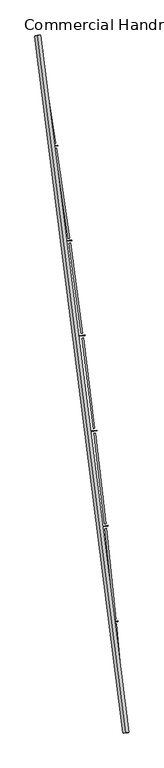
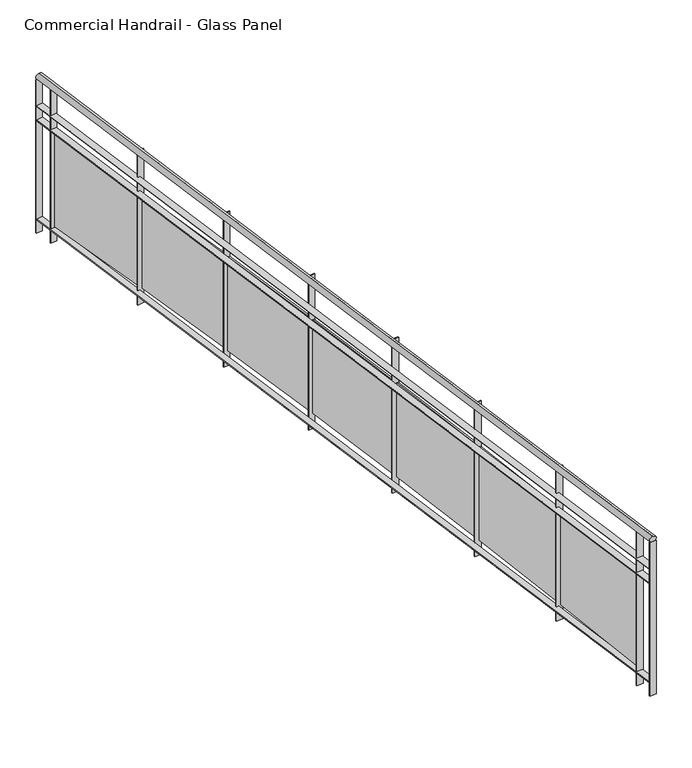
"""IFC4 building model written with IfcOpenShell, lengths in millimetres: railing geometry, Commercial Handrail - Glass Panel."""

import ifcopenshell
import ifcopenshell.guid

model = None  # the IFC model being written
_history = None  # IfcOwnerHistory: only IFC2X3 demands one
_inside = {}  # id of a spatial element -> (the spatial element, [elements in it])
_under = {}  # id of a project, library or spatial element -> (it, [spatial elements below it])
_declared = {}  # id of a project -> (the project, [libraries it declares])
_typed = {}  # id of a type object -> (the type object, [elements of that type])
_made_of = {}  # id of a material, layer set ... -> (it, [elements and type objects made of it])


def new_model(schema):
    """Start an empty IFC model of exactly this schema.

    Asked for "IFC4X3", IfcOpenShell would pick the latest addendum, in which some entities
    have other attributes; the version numbers below select the first issue.
    IFC2X3 requires an IfcOwnerHistory on every rooted entity: one is made here for all.
    """
    global model, _history
    if schema == "IFC4X3":
        model = ifcopenshell.file(schema_version=(4, 3, 0, 0))
    else:
        model = ifcopenshell.file(schema=schema)
    _inside.clear()
    _under.clear()
    _declared.clear()
    _typed.clear()
    _made_of.clear()
    _history = None
    if model.schema == "IFC2X3":
        org = make("IfcOrganization", Name="unknown")
        user = make(
            "IfcPersonAndOrganization",
            ThePerson=make("IfcPerson", FamilyName="unknown"),
            TheOrganization=org,
        )
        app = make(
            "IfcApplication",
            ApplicationDeveloper=org,
            Version="unknown",
            ApplicationFullName="unknown",
            ApplicationIdentifier="unknown",
        )
        _history = make(
            "IfcOwnerHistory",
            OwningUser=user,
            OwningApplication=app,
            ChangeAction="ADDED",
            CreationDate=0,
        )
    return model


def make(cls, **values):
    """One entity of the class cls with the attributes given. An attribute that is None is left unset."""
    return model.create_entity(
        cls, **{name: value for name, value in values.items() if value is not None}
    )


def rooted(cls, **values):
    """An entity with a GlobalId (a new one), such as an element, a storey or a relation."""
    return make(cls, GlobalId=ifcopenshell.guid.new(), OwnerHistory=_history, **values)


def si_unit(unit_type, name, prefix=None):
    """IfcSIUnit, for example si_unit("LENGTHUNIT", "METRE", prefix="MILLI")."""
    return make("IfcSIUnit", UnitType=unit_type, Prefix=prefix, Name=name)


def assignment(units):
    """IfcUnitAssignment: the units of a project."""
    return None if units is None else make("IfcUnitAssignment", Units=units)


def point(xyz):
    """IfcCartesianPoint."""
    return None if xyz is None else make("IfcCartesianPoint", Coordinates=xyz)


def direction(xyz):
    """IfcDirection."""
    return None if xyz is None else make("IfcDirection", DirectionRatios=xyz)


def frame(location, z_axis=None, x_axis=None):
    """IfcAxis2Placement3D, a coordinate frame: its origin and axes. An axis left out is left unset."""
    return make(
        "IfcAxis2Placement3D",
        Location=point(location),
        Axis=direction(z_axis),
        RefDirection=direction(x_axis),
    )


def origin():
    """The frame at (0, 0, 0) with its axes left unset."""
    return frame((0.0, 0.0, 0.0))


def place(relative_to, where):
    """IfcLocalPlacement: puts the frame where relative to a parent placement (None: the world)."""
    return make(
        "IfcLocalPlacement", PlacementRelTo=relative_to, RelativePlacement=where
    )


def context(
    kind, dimensions, precision=None, world=None, true_north=None, identifier=None
):
    """IfcGeometricRepresentationContext, for example the 3D "Model" context."""
    return make(
        "IfcGeometricRepresentationContext",
        ContextIdentifier=identifier,
        ContextType=kind,
        CoordinateSpaceDimension=dimensions,
        Precision=precision,
        WorldCoordinateSystem=world,
        TrueNorth=true_north,
    )


def project(units=None, contexts=None):
    """IfcProject with its units and contexts."""
    return rooted(
        "IfcProject",
        Name="project",
        RepresentationContexts=contexts,
        UnitsInContext=assignment(units),
    )


def spatial(cls, under=None, at=None, **own):
    """A site, building, storey or space (cls), placed at a placement, below another one or the project."""
    s = rooted(cls, ObjectPlacement=at, **own)
    if under is not None:
        _under.setdefault(under.id(), (under, []))[1].append(s)
    return s


def polyline(points):
    """IfcPolyline through the points."""
    return make("IfcPolyline", Points=[point(p) for p in points])


def circle_curve(where, radius):
    """IfcCircle in the frame where."""
    return make("IfcCircle", Position=where, Radius=radius)


def ellipse_curve(where, semi_axis1, semi_axis2):
    """IfcEllipse in the frame where."""
    return make(
        "IfcEllipse", Position=where, SemiAxis1=semi_axis1, SemiAxis2=semi_axis2
    )


def trimmed(basis, trim1, trim2, sense, master):
    """IfcTrimmedCurve: the piece of a basis curve between two trims."""
    return make(
        "IfcTrimmedCurve",
        BasisCurve=basis,
        Trim1=trim1,
        Trim2=trim2,
        SenseAgreement=sense,
        MasterRepresentation=master,
    )


def outline(outer, holes=None, kind="AREA"):
    """IfcArbitraryClosedProfileDef: a profile drawn as a closed curve; with holes, ...WithVoids."""
    if holes is None:
        return make("IfcArbitraryClosedProfileDef", ProfileType=kind, OuterCurve=outer)
    return make(
        "IfcArbitraryProfileDefWithVoids",
        ProfileType=kind,
        OuterCurve=outer,
        InnerCurves=holes,
    )


def extrude(swept, where, along, depth):
    """IfcExtrudedAreaSolid: the profile swept, set in the frame where, extruded along a direction by depth."""
    return make(
        "IfcExtrudedAreaSolid",
        SweptArea=swept,
        Position=where,
        ExtrudedDirection=direction(along),
        Depth=depth,
    )


def shape(context_of_items, identifier, shape_type, items):
    """IfcShapeRepresentation: the items that make up one representation, for example the "Body"."""
    return make(
        "IfcShapeRepresentation",
        ContextOfItems=context_of_items,
        RepresentationIdentifier=identifier,
        RepresentationType=shape_type,
        Items=items,
    )


def source(mapping_origin, context_of_items, identifier, shape_type, items):
    """IfcRepresentationMap: a shape defined once, which mapped items show again and again."""
    return make(
        "IfcRepresentationMap",
        MappingOrigin=mapping_origin,
        MappedRepresentation=shape(context_of_items, identifier, shape_type, items),
    )


def transform(
    local_origin,
    x_axis=None,
    y_axis=None,
    z_axis=None,
    scale=None,
    scale2=None,
    scale3=None,
    uniform=True,
):
    """IfcCartesianTransformationOperator3D, or its non-uniform kind. x_axis, y_axis, z_axis: its Axis1, 2, 3."""
    if uniform:
        return make(
            "IfcCartesianTransformationOperator3D",
            Axis1=direction(x_axis),
            Axis2=direction(y_axis),
            LocalOrigin=point(local_origin),
            Scale=scale,
            Axis3=direction(z_axis),
        )
    return make(
        "IfcCartesianTransformationOperator3DnonUniform",
        Axis1=direction(x_axis),
        Axis2=direction(y_axis),
        LocalOrigin=point(local_origin),
        Scale=scale,
        Axis3=direction(z_axis),
        Scale2=scale2,
        Scale3=scale3,
    )


def mapped(mapping_source, mapping_target):
    """IfcMappedItem: shows the shape of a source again, moved by a transform."""
    return make(
        "IfcMappedItem", MappingSource=mapping_source, MappingTarget=mapping_target
    )


def made_of(thing, what):
    """Note that an element or type object is made of a material, layer set ...; save() writes the relation."""
    if what is not None:
        _made_of.setdefault(what.id(), (what, []))[1].append(thing)
    return thing


def element(
    cls,
    number,
    at=None,
    inside=None,
    cuts=None,
    type_object=None,
    material=None,
    context=None,
    identifier="Body",
    shape_type=None,
    held_by="IfcProductDefinitionShape",
    body=None,
    shapes=None,
    **own,
):
    """One element of the class cls, such as IfcWall. Its Tag is "e" and its number.

    at: its placement. inside: the storey or other place that contains it. cuts: it is an
    opening in that element (IfcRelVoidsElement). A single representation is given by context,
    identifier, shape_type and body (its items); several are given by shapes. held_by: the class
    of the entity that holds the representations. save() writes the other relations.
    """
    e = rooted(cls, Tag="e%d" % number, ObjectPlacement=at, **own)
    if body is not None:
        shapes = [shape(context, identifier, shape_type, body)]
    if shapes is not None:
        e.Representation = make(held_by, Representations=shapes)
    if inside is not None:
        _inside.setdefault(inside.id(), (inside, []))[1].append(e)
    if cuts is not None:
        rooted(
            "IfcRelVoidsElement", RelatingBuildingElement=cuts, RelatedOpeningElement=e
        )
    if type_object is not None:
        _typed.setdefault(type_object.id(), (type_object, []))[1].append(e)
    return made_of(e, material)


def aggregate(whole, parts):
    """IfcRelAggregates: a whole, such as a stair, and the parts it consists of."""
    return rooted("IfcRelAggregates", RelatingObject=whole, RelatedObjects=parts)


def save(model, path):
    """Write the relations noted so far, then the file.

    IfcRelAggregates (storeys below a building ...), IfcRelContainedInSpatialStructure (elements
    in a storey), IfcRelDefinesByType, IfcRelAssociatesMaterial and IfcRelDeclares: one each for
    every whole, place, type object, material and project.
    """
    for whole, parts in _under.values():
        aggregate(whole, parts)
    for where, things in _inside.values():
        rooted(
            "IfcRelContainedInSpatialStructure",
            RelatedElements=things,
            RelatingStructure=where,
        )
    for kind, things in _typed.values():
        rooted("IfcRelDefinesByType", RelatedObjects=things, RelatingType=kind)
    for what, things in _made_of.values():
        rooted("IfcRelAssociatesMaterial", RelatedObjects=things, RelatingMaterial=what)
    for by, libraries in _declared.values():
        rooted("IfcRelDeclares", RelatingContext=by, RelatedDefinitions=libraries)
    model.write(path)


def plane_surface(at):
    """IfcPlane: the flat surface through the origin of the frame at, square to its z axis."""
    return make("IfcPlane", Position=at)


def cylinder_surface(at, radius):
    """IfcCylindricalSurface: all points at the distance radius from the z axis of the frame at."""
    return make("IfcCylindricalSurface", Position=at, Radius=radius)


def revolved_surface(curve, axis_point, axis_direction):
    """IfcSurfaceOfRevolution: the curve turned about the line through axis_point along axis_direction."""
    return make(
        "IfcSurfaceOfRevolution",
        SweptCurve=make("IfcArbitraryOpenProfileDef", ProfileType="CURVE", Curve=curve),
        AxisPosition=make("IfcAxis1Placement", Location=point(axis_point), Axis=direction(axis_direction)),
    )


def advanced_brep(points, edges, surfaces, faces):
    """IfcAdvancedBrep: a solid bounded by faces that lie on surfaces and meet in shared edges.

    An edge is (start, end): straight between two places in points (the first is 0);
    or (start, end, curve); or (start, end, curve, False) where it runs against its curve.
    A face is (place in surfaces, loops), or (place, loops, False) where it looks against
    its surface's normal. A loop lists edges by number (the first is 1), with a minus sign
    where the edge is run from its end to its start. The first loop is the outer one.
    """
    corners = [point(p) for p in points]
    vertices = [make("IfcVertexPoint", VertexGeometry=c) for c in corners]
    made = []
    for start, end, *more in edges:
        made.append(
            make(
                "IfcEdgeCurve",
                EdgeStart=vertices[start],
                EdgeEnd=vertices[end],
                EdgeGeometry=more[0] if more else make("IfcPolyline", Points=[corners[start], corners[end]]),
                SameSense=more[1] if len(more) > 1 else True,
            )
        )
    hull = []
    for where, loops, *sense in faces:
        bounds = []
        for j, loop in enumerate(loops):
            ring = [make("IfcOrientedEdge", EdgeElement=made[abs(k) - 1], Orientation=k > 0) for k in loop]
            bounds.append(
                make(
                    "IfcFaceOuterBound" if j == 0 else "IfcFaceBound",
                    Bound=make("IfcEdgeLoop", EdgeList=ring),
                    Orientation=True,
                )
            )
        hull.append(make("IfcAdvancedFace", Bounds=bounds, FaceSurface=surfaces[where], SameSense=sense[0] if sense else True))
    return make("IfcAdvancedBrep", Outer=make("IfcClosedShell", CfsFaces=hull))


def commercial_handrail_glass_panel_dcc8c1d9(model_context):
    return source(origin(), model_context, "Body", "SolidModel", [
        advanced_brep(
        [(182571.9295754, -52879.5364282, 36682.5), (181834.8110467, -47067.1917957, 36682.5), (181834.8110467, -47067.1917957, 36717.5), (182571.9295754, -52879.5364282, 36717.5)],
        [
            (0, 1, circle_curve(frame((104368.4569212, -59844.3474174, 36682.5), z_axis=(0.0, 0.0, 1.0), x_axis=(0.9866690945138685, 0.16273935581531185, 0.0)), 78513.0035554)),
            (1, 2, ellipse_curve(frame((181834.8110467, -47067.1917957, 36700.0), z_axis=(0.16273935581530558, -0.9866690945138697, 0.0), x_axis=(-0.9866690945138695, -0.16273935581530555, 0.0)), 25.0, 17.5)),
            (2, 3, circle_curve(frame((104368.4569212, -59844.3474174, 36717.5), z_axis=(0.0, 0.0, -1.0), x_axis=(0.9866690945138685, 0.16273935581531185, 0.0)), 78513.0035554)),
            (3, 0, ellipse_curve(frame((182571.9295754, -52879.5364282, 36700.0), z_axis=(-0.08870901218759285, 0.9960575842574071, 0.0), x_axis=(-0.9960575842574071, -0.08870901218759285, 0.0)), 25.0, 17.5)),
            (2, 1, ellipse_curve(frame((181834.8110467, -47067.1917957, 36700.0), z_axis=(0.16273935581530558, -0.9866690945138697, 0.0), x_axis=(-0.9866690945138695, -0.16273935581530555, 0.0)), 25.0, 17.5)),
            (0, 3, ellipse_curve(frame((182571.9295754, -52879.5364282, 36700.0), z_axis=(-0.08870901218759285, 0.9960575842574071, 0.0), x_axis=(-0.9960575842574071, -0.08870901218759285, 0.0)), 25.0, 17.5)),
        ],
        [
            revolved_surface(trimmed(ellipse_curve(frame((181834.8110467, -47067.1917957, 36700.0), z_axis=(-0.16273935581531185, 0.9866690945138685, 0.0), x_axis=(0.0, 0.0, -1.0)), 17.5, 25.0), [point((181834.8110467, -47067.1917957, 36717.5))], [point((181834.8110467, -47067.1917957, 36682.5))], True, "CARTESIAN"), (104368.4569212, -59844.3474174, 36700.0), (0.0, 0.0, -1.0)),
            revolved_surface(trimmed(ellipse_curve(frame((181834.8110467, -47067.1917957, 36700.0), z_axis=(-0.16273935581531185, 0.9866690945138685, 0.0), x_axis=(0.0, 0.0, -1.0)), 17.5, 25.0), [point((181834.8110467, -47067.1917957, 36682.5))], [point((181834.8110467, -47067.1917957, 36717.5))], True, "CARTESIAN"), (104368.4569212, -59844.3474174, 36700.0), (0.0, 0.0, -1.0)),
            plane_surface(frame((181834.8110467, -47067.1917957, 36700.0), z_axis=(-0.16273935581531188, 0.9866690945138686, 0.0), x_axis=(0.9866690945138686, 0.16273935581531188, 0.0))),
            plane_surface(frame((182571.9295754, -52879.5364282, 36700.0), z_axis=(0.08870901218759289, -0.9960575842574071, 0.0), x_axis=(0.9960575842574071, 0.08870901218759289, 0.0))),
        ],
        [
            (0, [[1, 2, 3, 4]]),
            (1, [[-3, 5, -1, 6]]),
            (2, [[-2, -5]]),
            (3, [[-6, -4]]),
        ],
    ),
        advanced_brep(
        [(182594.340871, -52877.5404754, 36500.0), (181857.0111014, -47063.5301602, 36500.0), (181812.6109921, -47070.8534312, 36500.0), (182549.5182797, -52881.5323809, 36500.0), (182594.340871, -52877.5404754, 36494.0), (181857.0111014, -47063.5301602, 36494.0), (182549.5182797, -52881.5323809, 36494.0), (181812.6109921, -47070.8534312, 36494.0)],
        [
            (0, 1, circle_curve(frame((104368.4569212, -59844.3474174, 36500.0), z_axis=(0.0, 0.0, 1.0), x_axis=(0.9866690945138685, 0.16273935581531185, 0.0)), 78535.5035554)),
            (1, 2),
            (2, 3, circle_curve(frame((104368.4569212, -59844.3474174, 36500.0), z_axis=(0.0, 0.0, -1.0), x_axis=(0.9866690945138685, 0.16273935581531185, 0.0)), 78490.5035554)),
            (3, 0),
            (4, 5, circle_curve(frame((104368.4569212, -59844.3474174, 36494.0), z_axis=(0.0, 0.0, 1.0), x_axis=(0.9866690945138685, 0.16273935581531185, 0.0)), 78535.5035554)),
            (5, 1),
            (0, 4),
            (6, 7, circle_curve(frame((104368.4569212, -59844.3474174, 36494.0), z_axis=(0.0, 0.0, 1.0), x_axis=(0.9866690945138685, 0.16273935581531185, 0.0)), 78490.5035554)),
            (7, 5),
            (4, 6),
            (2, 7),
            (6, 3),
        ],
        [
            plane_surface(frame((104368.4569212, -59844.3474174, 36500.0), z_axis=(0.0, 0.0, 1.0000000000000002), x_axis=(0.9866690945138686, 0.16273935581531188, 0.0))),
            cylinder_surface(frame((104368.4569212, -59844.3474174, 36500.0), z_axis=(0.0, 0.0, -1.0), x_axis=(0.9866690945138685, 0.16273935581531185, 0.0)), 78535.5035554),
            plane_surface(frame((104368.4569212, -59844.3474174, 36494.0), z_axis=(0.0, 0.0, -1.0000000000000002), x_axis=(0.9866690945138686, 0.16273935581531188, 0.0))),
            revolved_surface(polyline([(181812.6109921441, -47070.85343117476, 36494.0), (181812.6109921441, -47070.85343117476, 36500.0)]), (104368.4569212, -59844.3474174, 36500.0), (0.0, 0.0, -1.0)),
            plane_surface(frame((181834.8110467, -47067.1917957, 36500.0), z_axis=(-0.16273935581531188, 0.9866690945138686, 0.0), x_axis=(0.9866690945138686, 0.16273935581531188, 0.0))),
            plane_surface(frame((182571.9295754, -52879.5364282, 36500.0), z_axis=(0.08870901218759289, -0.9960575842574071, 0.0), x_axis=(0.9960575842574071, 0.08870901218759289, 0.0))),
        ],
        [
            (0, [[1, 2, 3, 4]]),
            (1, [[5, 6, -1, 7]]),
            (2, [[8, 9, -5, 10]]),
            (3, [[-3, 11, -8, 12]]),
            (4, [[-2, -6, -9, -11]]),
            (5, [[-12, -10, -7, -4]]),
        ],
    ),
        advanced_brep(
        [(182594.340871, -52877.5404754, 36400.0), (181857.0111014, -47063.5301602, 36400.0), (181812.6109921, -47070.8534312, 36400.0), (182549.5182797, -52881.5323809, 36400.0), (182594.340871, -52877.5404754, 36394.0), (181857.0111014, -47063.5301602, 36394.0), (182549.5182797, -52881.5323809, 36394.0), (181812.6109921, -47070.8534312, 36394.0)],
        [
            (0, 1, circle_curve(frame((104368.4569212, -59844.3474174, 36400.0), z_axis=(0.0, 0.0, 1.0), x_axis=(0.9866690945138685, 0.16273935581531185, 0.0)), 78535.5035554)),
            (1, 2),
            (2, 3, circle_curve(frame((104368.4569212, -59844.3474174, 36400.0), z_axis=(0.0, 0.0, -1.0), x_axis=(0.9866690945138685, 0.16273935581531185, 0.0)), 78490.5035554)),
            (3, 0),
            (4, 5, circle_curve(frame((104368.4569212, -59844.3474174, 36394.0), z_axis=(0.0, 0.0, 1.0), x_axis=(0.9866690945138685, 0.16273935581531185, 0.0)), 78535.5035554)),
            (5, 1),
            (0, 4),
            (6, 7, circle_curve(frame((104368.4569212, -59844.3474174, 36394.0), z_axis=(0.0, 0.0, 1.0), x_axis=(0.9866690945138685, 0.16273935581531185, 0.0)), 78490.5035554)),
            (7, 5),
            (4, 6),
            (2, 7),
            (6, 3),
        ],
        [
            plane_surface(frame((104368.4569212, -59844.3474174, 36400.0), z_axis=(0.0, 0.0, 1.0000000000000002), x_axis=(0.9866690945138686, 0.16273935581531188, 0.0))),
            cylinder_surface(frame((104368.4569212, -59844.3474174, 36400.0), z_axis=(0.0, 0.0, -1.0), x_axis=(0.9866690945138685, 0.16273935581531185, 0.0)), 78535.5035554),
            plane_surface(frame((104368.4569212, -59844.3474174, 36394.0), z_axis=(0.0, 0.0, -1.0000000000000002), x_axis=(0.9866690945138686, 0.16273935581531188, 0.0))),
            revolved_surface(polyline([(181812.6109921441, -47070.85343117476, 36394.0), (181812.6109921441, -47070.85343117476, 36400.0)]), (104368.4569212, -59844.3474174, 36400.0), (0.0, 0.0, -1.0)),
            plane_surface(frame((181834.8110467, -47067.1917957, 36400.0), z_axis=(-0.16273935581531188, 0.9866690945138686, 0.0), x_axis=(0.9866690945138686, 0.16273935581531188, 0.0))),
            plane_surface(frame((182571.9295754, -52879.5364282, 36400.0), z_axis=(0.08870901218759289, -0.9960575842574071, 0.0), x_axis=(0.9960575842574071, 0.08870901218759289, 0.0))),
        ],
        [
            (0, [[1, 2, 3, 4]]),
            (1, [[5, 6, -1, 7]]),
            (2, [[8, 9, -5, 10]]),
            (3, [[-3, 11, -8, 12]]),
            (4, [[-2, -6, -9, -11]]),
            (5, [[-12, -10, -7, -4]]),
        ],
    ),
        advanced_brep(
        [(182594.340871, -52877.5404754, 35700.0), (181857.0111014, -47063.5301602, 35700.0), (181812.6109921, -47070.8534312, 35700.0), (182549.5182797, -52881.5323809, 35700.0), (182594.340871, -52877.5404754, 35694.0), (181857.0111014, -47063.5301602, 35694.0), (182549.5182797, -52881.5323809, 35694.0), (181812.6109921, -47070.8534312, 35694.0)],
        [
            (0, 1, circle_curve(frame((104368.4569212, -59844.3474174, 35700.0), z_axis=(0.0, 0.0, 1.0), x_axis=(0.9866690945138685, 0.16273935581531185, 0.0)), 78535.5035554)),
            (1, 2),
            (2, 3, circle_curve(frame((104368.4569212, -59844.3474174, 35700.0), z_axis=(0.0, 0.0, -1.0), x_axis=(0.9866690945138685, 0.16273935581531185, 0.0)), 78490.5035554)),
            (3, 0),
            (4, 5, circle_curve(frame((104368.4569212, -59844.3474174, 35694.0), z_axis=(0.0, 0.0, 1.0), x_axis=(0.9866690945138685, 0.16273935581531185, 0.0)), 78535.5035554)),
            (5, 1),
            (0, 4),
            (6, 7, circle_curve(frame((104368.4569212, -59844.3474174, 35694.0), z_axis=(0.0, 0.0, 1.0), x_axis=(0.9866690945138685, 0.16273935581531185, 0.0)), 78490.5035554)),
            (7, 5),
            (4, 6),
            (2, 7),
            (6, 3),
        ],
        [
            plane_surface(frame((104368.4569212, -59844.3474174, 35700.0), z_axis=(0.0, 0.0, 1.0000000000000002), x_axis=(0.9866690945138686, 0.16273935581531188, 0.0))),
            cylinder_surface(frame((104368.4569212, -59844.3474174, 35700.0), z_axis=(0.0, 0.0, -1.0), x_axis=(0.9866690945138685, 0.16273935581531185, 0.0)), 78535.5035554),
            plane_surface(frame((104368.4569212, -59844.3474174, 35694.0), z_axis=(0.0, 0.0, -1.0000000000000002), x_axis=(0.9866690945138686, 0.16273935581531188, 0.0))),
            revolved_surface(polyline([(181812.6109921441, -47070.85343117476, 35694.0), (181812.6109921441, -47070.85343117476, 35700.0)]), (104368.4569212, -59844.3474174, 35700.0), (0.0, 0.0, -1.0)),
            plane_surface(frame((181834.8110467, -47067.1917957, 35700.0), z_axis=(-0.16273935581531188, 0.9866690945138686, 0.0), x_axis=(0.9866690945138686, 0.16273935581531188, 0.0))),
            plane_surface(frame((182571.9295754, -52879.5364282, 35700.0), z_axis=(0.08870901218759289, -0.9960575842574071, 0.0), x_axis=(0.9960575842574071, 0.08870901218759289, 0.0))),
        ],
        [
            (0, [[1, 2, 3, 4]]),
            (1, [[5, 6, -1, 7]]),
            (2, [[8, 9, -5, 10]]),
            (3, [[-3, 11, -8, 12]]),
            (4, [[-2, -6, -9, -11]]),
            (5, [[-12, -10, -7, -4]]),
        ],
    ),
        extrude(outline(polyline([(182537.5994721, -52748.9749653), (182582.4153855, -52744.9087751), (182582.9575442, -52750.8842302), (182538.1416308, -52754.9504204), (182537.5994721, -52748.9749653)])), frame((0.0, 0.0, 35600.0), z_axis=(0.0, 0.0, 1.0), x_axis=(1.0, 0.0, 0.0)), (0.0, 0.0, 1.0), 1082.1192282),
        extrude(outline(polyline([(182492.8282703, -51972.8214769), (182565.3569267, -52729.3527677), (182553.4116957, -52730.497957), (182480.8830394, -51973.9666662), (182492.8282703, -51972.8214769)])), frame((0.0, 0.0, 35720.0), z_axis=(0.0, 0.0, 1.0), x_axis=(1.0, 0.0, 0.0)), (0.0, 0.0, 1.0), 660.0),
        extrude(outline(polyline([(182461.2452987, -51952.8608143), (182506.0174543, -51948.3381961), (182506.6204701, -51954.3078168), (182461.8483144, -51958.830435), (182461.2452987, -51952.8608143)])), frame((0.0, 0.0, 35600.0), z_axis=(0.0, 0.0, 1.0), x_axis=(1.0, 0.0, 0.0)), (0.0, 0.0, 1.0), 1082.1192282),
        extrude(outline(polyline([(182408.5680235, -51177.2038007), (182488.8013774, -51932.9568086), (182476.8684352, -51934.223651), (182396.6350812, -51178.4706431), (182408.5680235, -51177.2038007)])), frame((0.0, 0.0, 35720.0), z_axis=(0.0, 0.0, 1.0), x_axis=(1.0, 0.0, 0.0)), (0.0, 0.0, 1.0), 660.0),
        extrude(outline(polyline([(182376.7833078, -51157.5659801), (182421.5070573, -51152.5874034), (182422.1708676, -51158.55057), (182377.447118, -51163.5291467), (182376.7833078, -51157.5659801)])), frame((0.0, 0.0, 35600.0), z_axis=(0.0, 0.0, 1.0), x_axis=(1.0, 0.0, 0.0)), (0.0, 0.0, 1.0), 1082.1192282),
        extrude(outline(polyline([(182316.2054283, -50382.4859723), (182404.1351498, -51137.3822327), (182392.2157352, -51138.7705968), (182304.2860136, -50383.8743363), (182316.2054283, -50382.4859723)])), frame((0.0, 0.0, 35720.0), z_axis=(0.0, 0.0, 1.0), x_axis=(1.0, 0.0, 0.0)), (0.0, 0.0, 1.0), 660.0),
        extrude(outline(polyline([(182284.2222685, -50363.1730325), (182328.8929686, -50357.7390141), (182329.6175044, -50363.6951075), (182284.9468043, -50369.1291258), (182284.2222685, -50363.1730325)])), frame((0.0, 0.0, 35600.0), z_axis=(0.0, 0.0, 1.0), x_axis=(1.0, 0.0, 0.0)), (0.0, 0.0, 1.0), 1082.1192282),
        extrude(outline(polyline([(182215.750074, -49588.7505014), (182311.3670341, -50342.711639), (182299.4623845, -50344.2213805), (182203.8454245, -49590.2602429), (182215.750074, -49588.7505014)])), frame((0.0, 0.0, 35720.0), z_axis=(0.0, 0.0, 1.0), x_axis=(1.0, 0.0, 0.0)), (0.0, 0.0, 1.0), 660.0),
        extrude(outline(polyline([(182183.5717908, -49569.7644476), (182228.1848036, -49563.8755518), (182228.9699897, -49569.8239535), (182184.3569769, -49575.7128493), (182183.5717908, -49569.7644476)])), frame((0.0, 0.0, 35600.0), z_axis=(0.0, 0.0, 1.0), x_axis=(1.0, 0.0, 0.0)), (0.0, 0.0, 1.0), 1082.1192282),
        extrude(outline(polyline([(182107.2123904, -48796.0797961), (182210.5066616, -49549.0275324), (182198.6180132, -49550.6584945), (182095.3237419, -48797.7107583), (182107.2123904, -48796.0797961)])), frame((0.0, 0.0, 35720.0), z_axis=(0.0, 0.0, 1.0), x_axis=(1.0, 0.0, 0.0)), (0.0, 0.0, 1.0), 660.0),
        extrude(outline(polyline([(182074.8423245, -48777.4225994), (182119.3930181, -48771.0794376), (182120.238773, -48777.0195301), (182075.6880794, -48783.3626919), (182074.8423245, -48777.4225994)])), frame((0.0, 0.0, 35600.0), z_axis=(0.0, 0.0, 1.0), x_axis=(1.0, 0.0, 0.0)), (0.0, 0.0, 1.0), 1082.1192282),
        extrude(outline(polyline([(181990.6036459, -48004.5561536), (182101.5645041, -48756.4123154), (182089.6930911, -48758.1643289), (181978.7322329, -48006.3081672), (181990.6036459, -48004.5561536)])), frame((0.0, 0.0, 35720.0), z_axis=(0.0, 0.0, 1.0), x_axis=(1.0, 0.0, 0.0)), (0.0, 0.0, 1.0), 660.0),
        extrude(outline(polyline([(181958.0451582, -47986.2297512), (182002.5289072, -47979.4329819), (182003.4351431, -47985.3641484), (181958.9513941, -47992.1609177), (181958.0451582, -47986.2297512)])), frame((0.0, 0.0, 35600.0), z_axis=(0.0, 0.0, 1.0), x_axis=(1.0, 0.0, 0.0)), (0.0, 0.0, 1.0), 1082.1192282),
        extrude(outline(polyline([(181865.9359474, -47214.2617523), (181984.5518723, -47964.9482797), (181972.6989271, -47966.8211627), (181854.0830022, -47216.1346353), (181865.9359474, -47214.2617523)])), frame((0.0, 0.0, 35720.0), z_axis=(0.0, 0.0, 1.0), x_axis=(1.0, 0.0, 0.0)), (0.0, 0.0, 1.0), 660.0),
        extrude(outline(polyline([(181833.1924181, -47196.2680467), (181877.6046042, -47189.0183756), (181878.571227, -47194.9400004), (181834.1590409, -47202.1896715), (181833.1924181, -47196.2680467)])), frame((0.0, 0.0, 35600.0), z_axis=(0.0, 0.0, 1.0), x_axis=(1.0, 0.0, 0.0)), (0.0, 0.0, 1.0), 1082.1192282),
        extrude(outline(polyline([(182549.2521527, -52878.5442082), (182594.074744, -52874.5523026), (182594.606998, -52880.5286481), (182549.7844067, -52884.5205537), (182549.2521527, -52878.5442082)])), frame((0.0, 0.0, 35600.0), z_axis=(0.0, 0.0, 1.0), x_axis=(1.0, 0.0, 0.0)), (0.0, 0.0, 1.0), 1082.1192282),
        extrude(outline(polyline([(181812.122774, -47067.8934239), (181856.5228833, -47060.5701529), (181857.4993194, -47066.4901675), (181813.0992102, -47073.8134385), (181812.122774, -47067.8934239)])), frame((0.0, 0.0, 35600.0), z_axis=(0.0, 0.0, 1.0), x_axis=(1.0, 0.0, 0.0)), (0.0, 0.0, 1.0), 1082.1192282),
    ])


if __name__ == "__main__":
    model = new_model("IFC4")
    model_context = context("Model", 3, world=origin())
    ifc_project = project(units=[si_unit("LENGTHUNIT", "METRE", prefix="MILLI")], contexts=[model_context])
    site = spatial("IfcSite", under=ifc_project)
    building = spatial("IfcBuilding", under=site)
    placement = place(None, origin())
    commercial_handrail_glass_panel_shape = commercial_handrail_glass_panel_dcc8c1d9(model_context)
    element("IfcRailing", 1, ObjectType="Commercial Handrail - Glass Panel", at=placement, inside=building, context=model_context, shape_type="MappedRepresentation", body=[
        mapped(commercial_handrail_glass_panel_shape, transform((0.0, 0.0, 0.0), x_axis=(1.0, 0.0, 0.0), y_axis=(0.0, 1.0, 0.0), z_axis=(0.0, 0.0, 1.0))),
    ])
    save(model, "model.ifc")
